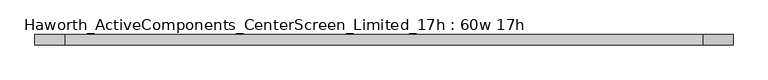
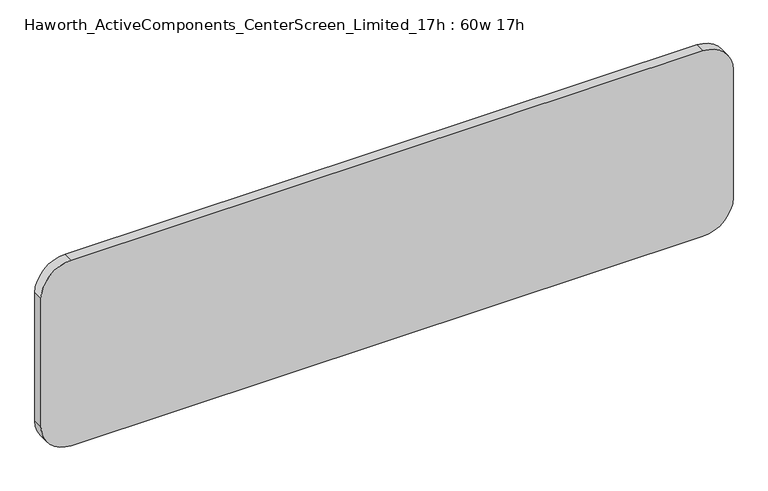
"""IFC4 building model written with IfcOpenShell, lengths in millimetres: furniture geometry, Haworth_ActiveComponents_CenterScreen_Limited_17h : 60w 17h."""

from ifc_helpers import new_model, si_unit, point, frame, frame_2d, origin, place, context, project, spatial, polyline, circle_curve, trimmed, segment, composite_curve, outline, extrude, source, transform, mapped, element, save


def haworth_activecomponents_centerscreen_limited_17h_60w_17h_55ca47d6(model_context):
    return source(origin(), model_context, "Body", "SweptSolid", [
        extrude(outline(composite_curve([segment(polyline([(857.25, 674.6875), (857.25, -715.9625)]), True, "CONTINUOUS"), segment(trimmed(circle_curve(frame_2d((790.575, -715.9625)), 66.675), [point((857.25, -715.9625))], [point((790.575, -782.6375))], False, "CARTESIAN"), True, "CONTINUOUS"), segment(polyline([(790.575, -782.6375), (492.125, -782.6375)]), True, "CONTINUOUS"), segment(trimmed(circle_curve(frame_2d((492.125, -715.9625)), 66.675), [point((492.125, -782.6375))], [point((425.45, -715.9625))], False, "CARTESIAN"), True, "CONTINUOUS"), segment(polyline([(425.45, -715.9625), (425.45, 674.6875)]), True, "CONTINUOUS"), segment(trimmed(circle_curve(frame_2d((492.125, 674.6875)), 66.675), [point((425.45, 674.6875))], [point((492.125, 741.3625))], False, "CARTESIAN"), True, "CONTINUOUS"), segment(polyline([(492.125, 741.3625), (790.575, 741.3625)]), True, "CONTINUOUS"), segment(trimmed(circle_curve(frame_2d((790.575, 674.6875)), 66.675), [point((790.575, 741.3625))], [point((857.25, 674.6875))], False, "CARTESIAN"), True, "CONTINUOUS")], self_intersect=False)), frame((0.0, 158.2277734, 0.0), z_axis=(0.0, 1.0, 0.0), x_axis=(0.0, 0.0, 1.0)), (0.0, 0.0, 1.0), 23.01875),
    ])


if __name__ == "__main__":
    model = new_model("IFC4")
    model_context = context("Model", 3, world=origin())
    ifc_project = project(units=[si_unit("LENGTHUNIT", "METRE", prefix="MILLI")], contexts=[model_context])
    site = spatial("IfcSite", under=ifc_project)
    building = spatial("IfcBuilding", under=site)
    placement = place(None, origin())
    haworth_activecomponents_centerscreen_limited_17h_60w_17h_shape = haworth_activecomponents_centerscreen_limited_17h_60w_17h_55ca47d6(model_context)
    element("IfcFurniture", 1, ObjectType="Haworth_ActiveComponents_CenterScreen_Limited_17h : 60w 17h", at=placement, inside=building, context=model_context, shape_type="MappedRepresentation", body=[
        mapped(haworth_activecomponents_centerscreen_limited_17h_60w_17h_shape, transform((0.0, 0.0, 0.0), x_axis=(1.0, 0.0, 0.0), y_axis=(0.0, 1.0, 0.0), z_axis=(0.0, 0.0, 1.0))),
    ])
    save(model, "model.ifc")
